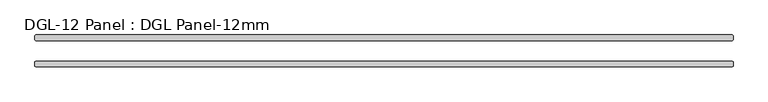
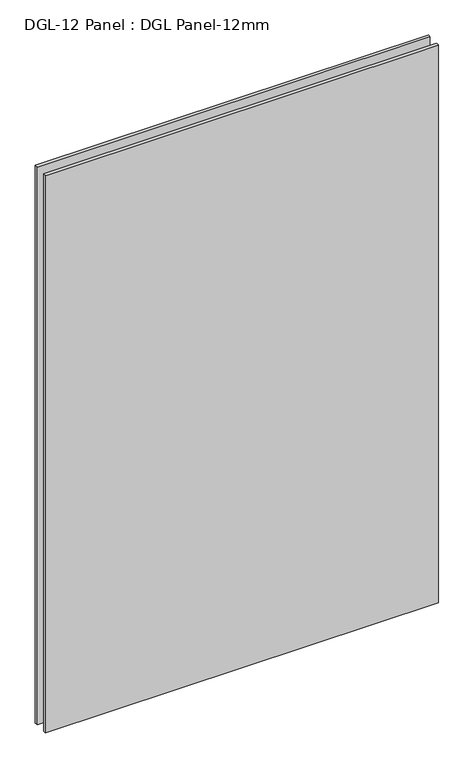
"""IFC4 building model written with IfcOpenShell, lengths in millimetres: plate geometry, DGL-12 Panel : DGL Panel-12mm."""

from ifc_helpers import new_model, si_unit, origin, origin_with_axes, place, context, project, spatial, polyline, outline, extrude, source, transform, mapped, element, save


def dgl_12_panel_dgl_panel_12mm_b364df47(model_context):
    return source(origin(), model_context, "Body", "SweptSolid", [
        extrude(outline(polyline([(780.2584874, 22.9195313), (-780.2584874, 22.9195313), (-781.8459874, 24.5070313), (-781.8459874, 34.0320313), (-780.2584874, 35.6195313), (780.2584874, 35.6195313), (781.8459874, 34.0320313), (781.8459874, 24.5070313), (780.2584874, 22.9195313)])), origin_with_axes(), (0.0, 0.0, 1.0), 2339.4648576),
        extrude(outline(polyline([(780.2584874, -35.6195312), (-780.2584874, -35.6195312), (-781.8459874, -34.0320312), (-781.8459874, -24.5070312), (-780.2584874, -22.9195312), (780.2584874, -22.9195312), (781.8459874, -24.5070312), (781.8459874, -34.0320312), (780.2584874, -35.6195312)])), origin_with_axes(), (0.0, 0.0, 1.0), 2339.4648576),
    ])


if __name__ == "__main__":
    model = new_model("IFC4")
    model_context = context("Model", 3, world=origin())
    ifc_project = project(units=[si_unit("LENGTHUNIT", "METRE", prefix="MILLI")], contexts=[model_context])
    site = spatial("IfcSite", under=ifc_project)
    building = spatial("IfcBuilding", under=site)
    placement = place(None, origin())
    dgl_12_panel_dgl_panel_12mm_shape = dgl_12_panel_dgl_panel_12mm_b364df47(model_context)
    element("IfcPlate", 1, ObjectType="DGL-12 Panel : DGL Panel-12mm", at=placement, inside=building, context=model_context, shape_type="MappedRepresentation", body=[
        mapped(dgl_12_panel_dgl_panel_12mm_shape, transform((0.0, 0.0, 0.0), x_axis=(1.0, 0.0, 0.0), y_axis=(0.0, 1.0, 0.0), z_axis=(0.0, 0.0, 1.0))),
    ])
    save(model, "model.ifc")
